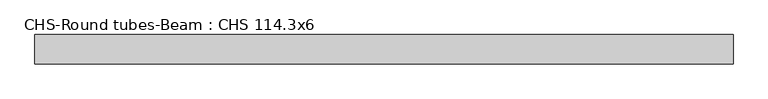
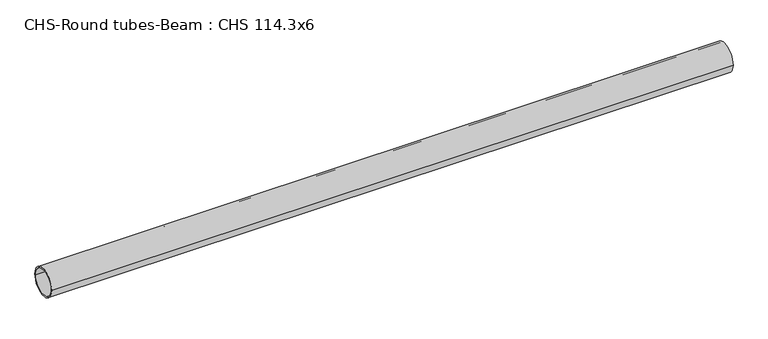
"""IFC4 building model written with IfcOpenShell, lengths in millimetres: beam geometry, CHS-Round tubes-Beam : CHS 114.3x6."""

from ifc_helpers import new_model, si_unit, point, frame, origin, origin_2d, place, context, project, spatial, circle_curve, trimmed, segment, composite_curve, outline, extrude, source, transform, mapped, element, save


def chs_round_tubes_beam_chs_114_3x6_be9e2657(model_context):
    return source(origin(), model_context, "Body", "SweptSolid", [
        extrude(outline(composite_curve([segment(trimmed(circle_curve(origin_2d(), 57.15), [point((57.15, 0.0))], [point((-57.15, 0.0))], False, "CARTESIAN"), True, "CONTINUOUS"), segment(trimmed(circle_curve(origin_2d(), 57.15), [point((-57.15, 0.0))], [point((57.15, 0.0))], False, "CARTESIAN"), True, "CONTINUOUS")], self_intersect=False), holes=[composite_curve([segment(trimmed(circle_curve(origin_2d(), 51.15), [point((51.15, 0.0))], [point((-51.15, 0.0))], True, "CARTESIAN"), True, "CONTINUOUS"), segment(trimmed(circle_curve(origin_2d(), 51.15), [point((-51.15, 0.0))], [point((51.15, 0.0))], True, "CARTESIAN"), True, "CONTINUOUS")], self_intersect=False)]), frame((-1312.7529452, 0.0, 0.0), z_axis=(1.0, 0.0, 0.0), x_axis=(0.0, 1.0, 0.0)), (0.0, 0.0, 1.0), 2703.4322234),
    ])


if __name__ == "__main__":
    model = new_model("IFC4")
    model_context = context("Model", 3, world=origin())
    ifc_project = project(units=[si_unit("LENGTHUNIT", "METRE", prefix="MILLI")], contexts=[model_context])
    site = spatial("IfcSite", under=ifc_project)
    building = spatial("IfcBuilding", under=site)
    placement = place(None, origin())
    chs_round_tubes_beam_chs_114_3x6_shape = chs_round_tubes_beam_chs_114_3x6_be9e2657(model_context)
    element("IfcBeam", 1, ObjectType="CHS-Round tubes-Beam : CHS 114.3x6", at=placement, inside=building, context=model_context, shape_type="MappedRepresentation", body=[
        mapped(chs_round_tubes_beam_chs_114_3x6_shape, transform((0.0, 0.0, 0.0), x_axis=(1.0, 0.0, 0.0), y_axis=(0.0, 1.0, 0.0), z_axis=(0.0, 0.0, 1.0))),
    ])
    save(model, "model.ifc")
